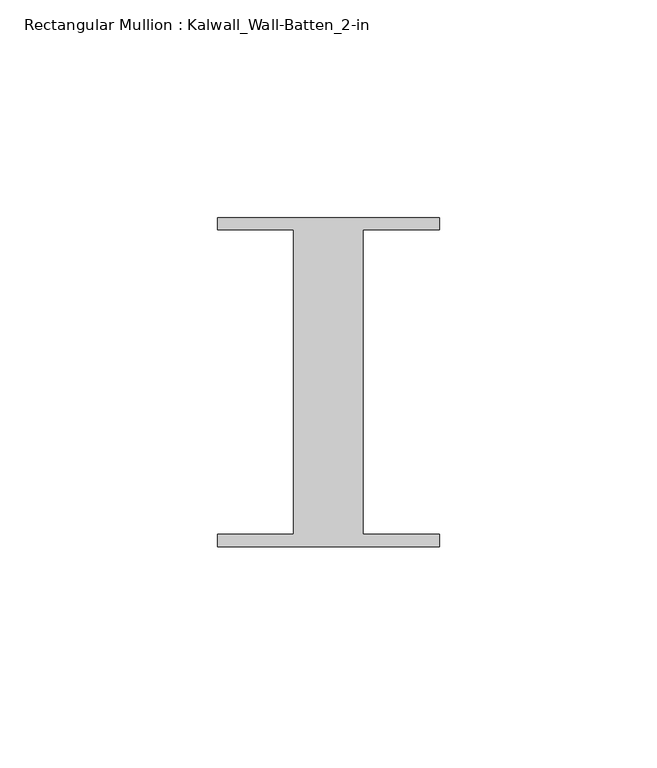
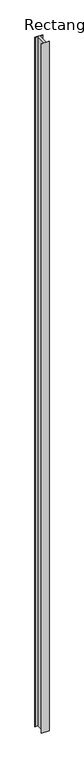
"""IFC4 building model written with IfcOpenShell, lengths in millimetres: member geometry, Rectangular Mullion : Kalwall_Wall-Batten_2-in."""

from ifc_helpers import new_model, si_unit, frame, origin, place, context, project, spatial, polyline, outline, extrude, source, transform, mapped, element, save


def rectangular_mullion_kalwall_wall_batten_2_in_34c47f0d(model_context):
    return source(origin(), model_context, "Body", "SweptSolid", [
        extrude(outline(polyline([(-25.5, 37.794), (25.5, 37.794), (25.5, 35.0), (8.0, 35.0), (8.0, -35.0), (25.5, -35.0), (25.5, -37.794), (-25.5, -37.794), (-25.5, -35.0), (-8.0, -35.0), (-8.0, 35.0), (-25.5, 35.0), (-25.5, 37.794)])), frame((0.0, 0.0, -4876.8), z_axis=(0.0, 0.0, 1.0), x_axis=(1.0, 0.0, 0.0)), (0.0, 0.0, 1.0), 4876.8),
    ])


if __name__ == "__main__":
    model = new_model("IFC4")
    model_context = context("Model", 3, world=origin())
    ifc_project = project(units=[si_unit("LENGTHUNIT", "METRE", prefix="MILLI")], contexts=[model_context])
    site = spatial("IfcSite", under=ifc_project)
    building = spatial("IfcBuilding", under=site)
    placement = place(None, origin())
    rectangular_mullion_kalwall_wall_batten_2_in_shape = rectangular_mullion_kalwall_wall_batten_2_in_34c47f0d(model_context)
    element("IfcMember", 1, ObjectType="Rectangular Mullion : Kalwall_Wall-Batten_2-in", at=placement, inside=building, context=model_context, shape_type="MappedRepresentation", body=[
        mapped(rectangular_mullion_kalwall_wall_batten_2_in_shape, transform((0.0, 0.0, 0.0), x_axis=(1.0, 0.0, 0.0), y_axis=(0.0, 1.0, 0.0), z_axis=(0.0, 0.0, 1.0))),
    ])
    save(model, "model.ifc")
